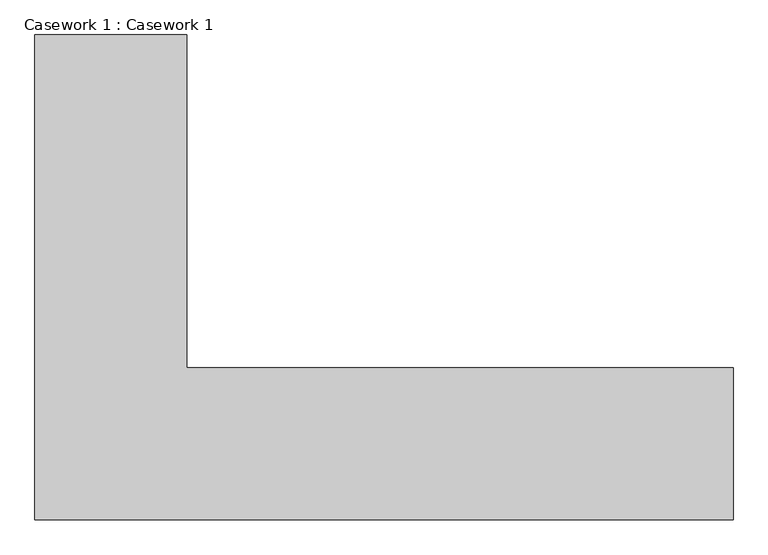
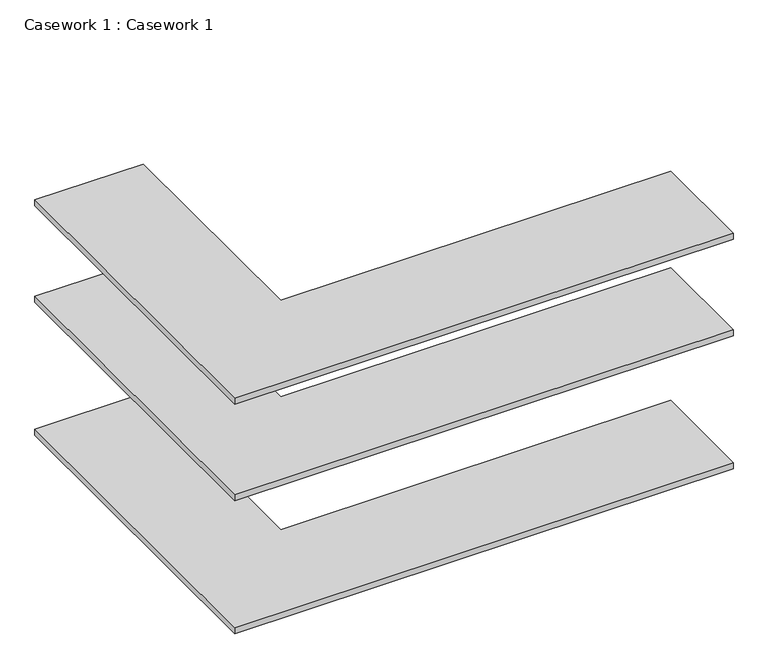
"""IFC4 building model written with IfcOpenShell, lengths in millimetres: furniture geometry, Casework 1 : Casework 1."""

import ifcopenshell
import ifcopenshell.guid

model = None  # the IFC model being written
_history = None  # IfcOwnerHistory: only IFC2X3 demands one
_inside = {}  # id of a spatial element -> (the spatial element, [elements in it])
_under = {}  # id of a project, library or spatial element -> (it, [spatial elements below it])
_declared = {}  # id of a project -> (the project, [libraries it declares])
_typed = {}  # id of a type object -> (the type object, [elements of that type])
_made_of = {}  # id of a material, layer set ... -> (it, [elements and type objects made of it])


def new_model(schema):
    """Start an empty IFC model of exactly this schema.

    Asked for "IFC4X3", IfcOpenShell would pick the latest addendum, in which some entities
    have other attributes; the version numbers below select the first issue.
    IFC2X3 requires an IfcOwnerHistory on every rooted entity: one is made here for all.
    """
    global model, _history
    if schema == "IFC4X3":
        model = ifcopenshell.file(schema_version=(4, 3, 0, 0))
    else:
        model = ifcopenshell.file(schema=schema)
    _inside.clear()
    _under.clear()
    _declared.clear()
    _typed.clear()
    _made_of.clear()
    _history = None
    if model.schema == "IFC2X3":
        org = make("IfcOrganization", Name="unknown")
        user = make(
            "IfcPersonAndOrganization",
            ThePerson=make("IfcPerson", FamilyName="unknown"),
            TheOrganization=org,
        )
        app = make(
            "IfcApplication",
            ApplicationDeveloper=org,
            Version="unknown",
            ApplicationFullName="unknown",
            ApplicationIdentifier="unknown",
        )
        _history = make(
            "IfcOwnerHistory",
            OwningUser=user,
            OwningApplication=app,
            ChangeAction="ADDED",
            CreationDate=0,
        )
    return model


def make(cls, **values):
    """One entity of the class cls with the attributes given. An attribute that is None is left unset."""
    return model.create_entity(
        cls, **{name: value for name, value in values.items() if value is not None}
    )


def rooted(cls, **values):
    """An entity with a GlobalId (a new one), such as an element, a storey or a relation."""
    return make(cls, GlobalId=ifcopenshell.guid.new(), OwnerHistory=_history, **values)


def si_unit(unit_type, name, prefix=None):
    """IfcSIUnit, for example si_unit("LENGTHUNIT", "METRE", prefix="MILLI")."""
    return make("IfcSIUnit", UnitType=unit_type, Prefix=prefix, Name=name)


def assignment(units):
    """IfcUnitAssignment: the units of a project."""
    return None if units is None else make("IfcUnitAssignment", Units=units)


def point(xyz):
    """IfcCartesianPoint."""
    return None if xyz is None else make("IfcCartesianPoint", Coordinates=xyz)


def direction(xyz):
    """IfcDirection."""
    return None if xyz is None else make("IfcDirection", DirectionRatios=xyz)


def frame(location, z_axis=None, x_axis=None):
    """IfcAxis2Placement3D, a coordinate frame: its origin and axes. An axis left out is left unset."""
    return make(
        "IfcAxis2Placement3D",
        Location=point(location),
        Axis=direction(z_axis),
        RefDirection=direction(x_axis),
    )


def origin():
    """The frame at (0, 0, 0) with its axes left unset."""
    return frame((0.0, 0.0, 0.0))


def place(relative_to, where):
    """IfcLocalPlacement: puts the frame where relative to a parent placement (None: the world)."""
    return make(
        "IfcLocalPlacement", PlacementRelTo=relative_to, RelativePlacement=where
    )


def context(
    kind, dimensions, precision=None, world=None, true_north=None, identifier=None
):
    """IfcGeometricRepresentationContext, for example the 3D "Model" context."""
    return make(
        "IfcGeometricRepresentationContext",
        ContextIdentifier=identifier,
        ContextType=kind,
        CoordinateSpaceDimension=dimensions,
        Precision=precision,
        WorldCoordinateSystem=world,
        TrueNorth=true_north,
    )


def project(units=None, contexts=None):
    """IfcProject with its units and contexts."""
    return rooted(
        "IfcProject",
        Name="project",
        RepresentationContexts=contexts,
        UnitsInContext=assignment(units),
    )


def spatial(cls, under=None, at=None, **own):
    """A site, building, storey or space (cls), placed at a placement, below another one or the project."""
    s = rooted(cls, ObjectPlacement=at, **own)
    if under is not None:
        _under.setdefault(under.id(), (under, []))[1].append(s)
    return s


def polyline(points):
    """IfcPolyline through the points."""
    return make("IfcPolyline", Points=[point(p) for p in points])


def outline(outer, holes=None, kind="AREA"):
    """IfcArbitraryClosedProfileDef: a profile drawn as a closed curve; with holes, ...WithVoids."""
    if holes is None:
        return make("IfcArbitraryClosedProfileDef", ProfileType=kind, OuterCurve=outer)
    return make(
        "IfcArbitraryProfileDefWithVoids",
        ProfileType=kind,
        OuterCurve=outer,
        InnerCurves=holes,
    )


def extrude(swept, where, along, depth):
    """IfcExtrudedAreaSolid: the profile swept, set in the frame where, extruded along a direction by depth."""
    return make(
        "IfcExtrudedAreaSolid",
        SweptArea=swept,
        Position=where,
        ExtrudedDirection=direction(along),
        Depth=depth,
    )


def shape(context_of_items, identifier, shape_type, items):
    """IfcShapeRepresentation: the items that make up one representation, for example the "Body"."""
    return make(
        "IfcShapeRepresentation",
        ContextOfItems=context_of_items,
        RepresentationIdentifier=identifier,
        RepresentationType=shape_type,
        Items=items,
    )


def source(mapping_origin, context_of_items, identifier, shape_type, items):
    """IfcRepresentationMap: a shape defined once, which mapped items show again and again."""
    return make(
        "IfcRepresentationMap",
        MappingOrigin=mapping_origin,
        MappedRepresentation=shape(context_of_items, identifier, shape_type, items),
    )


def transform(
    local_origin,
    x_axis=None,
    y_axis=None,
    z_axis=None,
    scale=None,
    scale2=None,
    scale3=None,
    uniform=True,
):
    """IfcCartesianTransformationOperator3D, or its non-uniform kind. x_axis, y_axis, z_axis: its Axis1, 2, 3."""
    if uniform:
        return make(
            "IfcCartesianTransformationOperator3D",
            Axis1=direction(x_axis),
            Axis2=direction(y_axis),
            LocalOrigin=point(local_origin),
            Scale=scale,
            Axis3=direction(z_axis),
        )
    return make(
        "IfcCartesianTransformationOperator3DnonUniform",
        Axis1=direction(x_axis),
        Axis2=direction(y_axis),
        LocalOrigin=point(local_origin),
        Scale=scale,
        Axis3=direction(z_axis),
        Scale2=scale2,
        Scale3=scale3,
    )


def mapped(mapping_source, mapping_target):
    """IfcMappedItem: shows the shape of a source again, moved by a transform."""
    return make(
        "IfcMappedItem", MappingSource=mapping_source, MappingTarget=mapping_target
    )


def made_of(thing, what):
    """Note that an element or type object is made of a material, layer set ...; save() writes the relation."""
    if what is not None:
        _made_of.setdefault(what.id(), (what, []))[1].append(thing)
    return thing


def element(
    cls,
    number,
    at=None,
    inside=None,
    cuts=None,
    type_object=None,
    material=None,
    context=None,
    identifier="Body",
    shape_type=None,
    held_by="IfcProductDefinitionShape",
    body=None,
    shapes=None,
    **own,
):
    """One element of the class cls, such as IfcWall. Its Tag is "e" and its number.

    at: its placement. inside: the storey or other place that contains it. cuts: it is an
    opening in that element (IfcRelVoidsElement). A single representation is given by context,
    identifier, shape_type and body (its items); several are given by shapes. held_by: the class
    of the entity that holds the representations. save() writes the other relations.
    """
    e = rooted(cls, Tag="e%d" % number, ObjectPlacement=at, **own)
    if body is not None:
        shapes = [shape(context, identifier, shape_type, body)]
    if shapes is not None:
        e.Representation = make(held_by, Representations=shapes)
    if inside is not None:
        _inside.setdefault(inside.id(), (inside, []))[1].append(e)
    if cuts is not None:
        rooted(
            "IfcRelVoidsElement", RelatingBuildingElement=cuts, RelatedOpeningElement=e
        )
    if type_object is not None:
        _typed.setdefault(type_object.id(), (type_object, []))[1].append(e)
    return made_of(e, material)


def aggregate(whole, parts):
    """IfcRelAggregates: a whole, such as a stair, and the parts it consists of."""
    return rooted("IfcRelAggregates", RelatingObject=whole, RelatedObjects=parts)


def save(model, path):
    """Write the relations noted so far, then the file.

    IfcRelAggregates (storeys below a building ...), IfcRelContainedInSpatialStructure (elements
    in a storey), IfcRelDefinesByType, IfcRelAssociatesMaterial and IfcRelDeclares: one each for
    every whole, place, type object, material and project.
    """
    for whole, parts in _under.values():
        aggregate(whole, parts)
    for where, things in _inside.values():
        rooted(
            "IfcRelContainedInSpatialStructure",
            RelatedElements=things,
            RelatingStructure=where,
        )
    for kind, things in _typed.values():
        rooted("IfcRelDefinesByType", RelatedObjects=things, RelatingType=kind)
    for what, things in _made_of.values():
        rooted("IfcRelAssociatesMaterial", RelatedObjects=things, RelatingMaterial=what)
    for by, libraries in _declared.values():
        rooted("IfcRelDeclares", RelatingContext=by, RelatedDefinitions=libraries)
    model.write(path)


def casework_1_casework_1_f208787c(model_context):
    return source(origin(), model_context, "Body", "SweptSolid", [
        extrude(outline(polyline([(-5583.730083, -6881.6094249), (-5151.930083, -6881.6094249), (-5151.930083, -7828.6524006), (-3598.2424321, -7828.6524006), (-3598.2424321, -8260.4524006), (-5583.730083, -8260.4524006), (-5583.730083, -6881.6094249)])), frame((0.0, 0.0, 2413.0), z_axis=(0.0, 0.0, 1.0), x_axis=(1.0, 0.0, 0.0)), (0.0, 0.0, 1.0), 25.4),
        extrude(outline(polyline([(-5583.730083, -6881.6094249), (-5151.930083, -6881.6094249), (-5151.930083, -7828.6524006), (-3598.2424321, -7828.6524006), (-3598.2424321, -8260.4524006), (-5583.730083, -8260.4524006), (-5583.730083, -6881.6094249)])), frame((0.0, 0.0, 2006.6), z_axis=(0.0, 0.0, 1.0), x_axis=(1.0, 0.0, 0.0)), (0.0, 0.0, 1.0), 25.4),
        extrude(outline(polyline([(-5583.730083, -6881.6094249), (-5151.930083, -6881.6094249), (-5151.930083, -7828.6524006), (-3598.2424321, -7828.6524006), (-3598.2424321, -8260.4524006), (-5583.730083, -8260.4524006), (-5583.730083, -6881.6094249)])), frame((0.0, 0.0, 1447.8), z_axis=(0.0, 0.0, 1.0), x_axis=(1.0, 0.0, 0.0)), (0.0, 0.0, 1.0), 25.4),
    ])


if __name__ == "__main__":
    model = new_model("IFC4")
    model_context = context("Model", 3, world=origin())
    ifc_project = project(units=[si_unit("LENGTHUNIT", "METRE", prefix="MILLI")], contexts=[model_context])
    site = spatial("IfcSite", under=ifc_project)
    building = spatial("IfcBuilding", under=site)
    placement = place(None, origin())
    casework_1_casework_1_shape = casework_1_casework_1_f208787c(model_context)
    element("IfcFurniture", 1, ObjectType="Casework 1 : Casework 1", at=placement, inside=building, context=model_context, shape_type="MappedRepresentation", body=[
        mapped(casework_1_casework_1_shape, transform((0.0, 0.0, 0.0), x_axis=(1.0, 0.0, 0.0), y_axis=(0.0, 1.0, 0.0), z_axis=(0.0, 0.0, 1.0))),
    ])
    save(model, "model.ifc")
